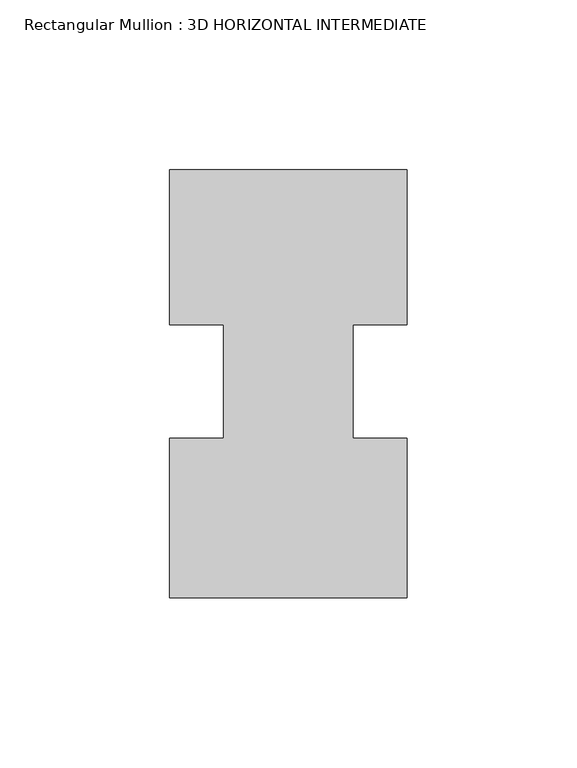
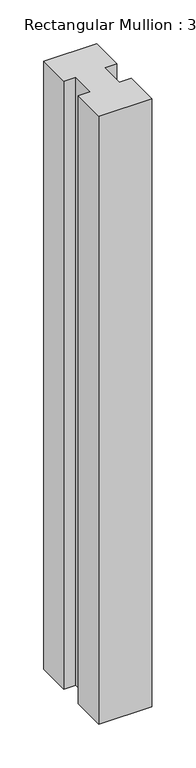
"""IFC4 building model written with IfcOpenShell, lengths in millimetres: member geometry, Rectangular Mullion : 3D HORIZONTAL INTERMEDIATE."""

from ifc_helpers import new_model, si_unit, frame, origin, place, context, project, spatial, polyline, outline, extrude, source, transform, mapped, element, save


def rectangular_mullion_3d_horizontal_intermediate_ad3e80e0(model_context):
    return source(origin(), model_context, "Body", "SweptSolid", [
        extrude(outline(polyline([(-19.05, 16.678595), (-34.925, 16.678595), (-34.925, 62.251905), (34.925, 62.251905), (34.925, 16.678595), (19.05, 16.678595), (19.05, -16.678595), (34.925, -16.678595), (34.925, -63.528895), (-34.925, -63.528895), (-34.925, -16.6844264), (-19.05, -16.6844264), (-19.05, 16.678595)])), frame((0.0, 0.0, -847.6327069), z_axis=(0.0, 0.0, 1.0), x_axis=(1.0, 0.0, 0.0)), (0.0, 0.0, 1.0), 847.6327069),
    ])


if __name__ == "__main__":
    model = new_model("IFC4")
    model_context = context("Model", 3, world=origin())
    ifc_project = project(units=[si_unit("LENGTHUNIT", "METRE", prefix="MILLI")], contexts=[model_context])
    site = spatial("IfcSite", under=ifc_project)
    building = spatial("IfcBuilding", under=site)
    placement = place(None, origin())
    rectangular_mullion_3d_horizontal_intermediate_shape = rectangular_mullion_3d_horizontal_intermediate_ad3e80e0(model_context)
    element("IfcMember", 1, ObjectType="Rectangular Mullion : 3D HORIZONTAL INTERMEDIATE", at=placement, inside=building, context=model_context, shape_type="MappedRepresentation", body=[
        mapped(rectangular_mullion_3d_horizontal_intermediate_shape, transform((0.0, 0.0, 0.0), x_axis=(1.0, 0.0, 0.0), y_axis=(0.0, 1.0, 0.0), z_axis=(0.0, 0.0, 1.0))),
    ])
    save(model, "model.ifc")
